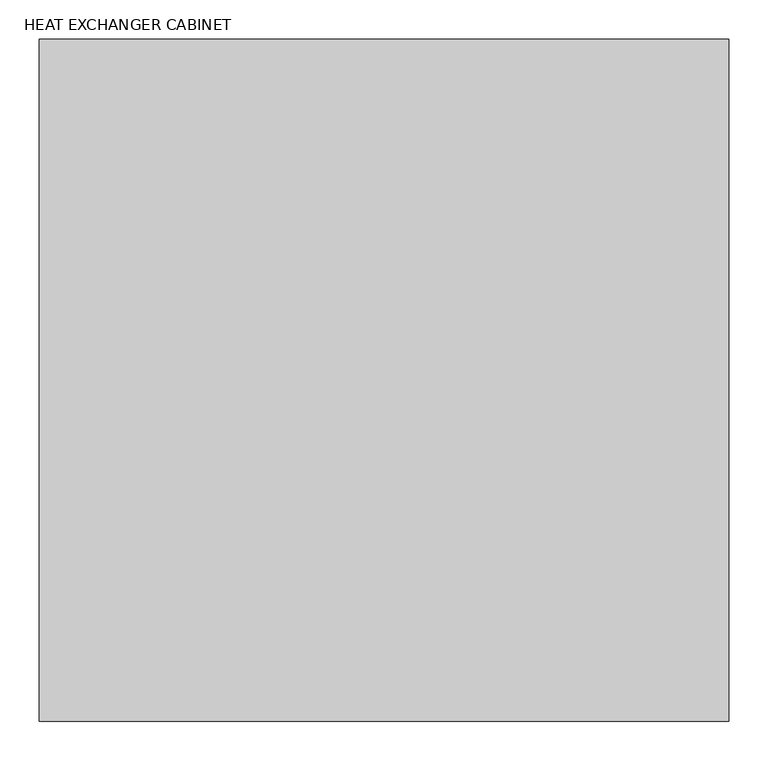
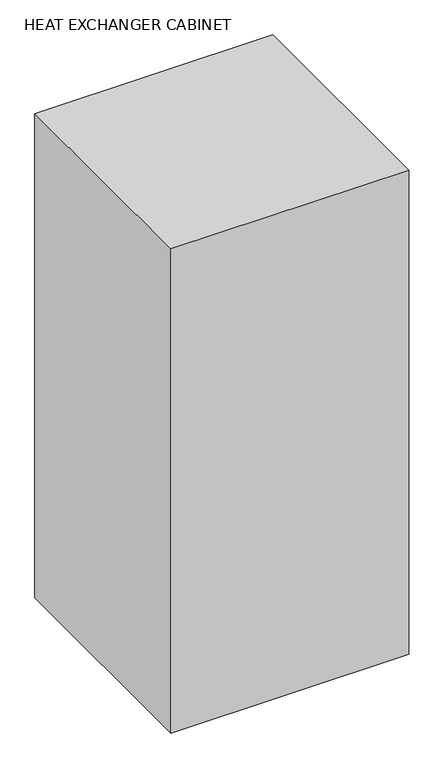
"""IFC4 building model written with IfcOpenShell, lengths in millimetres: proxy geometry, HEAT EXCHANGER CABINET."""

import ifcopenshell
import ifcopenshell.guid

model = None  # the IFC model being written
_history = None  # IfcOwnerHistory: only IFC2X3 demands one
_inside = {}  # id of a spatial element -> (the spatial element, [elements in it])
_under = {}  # id of a project, library or spatial element -> (it, [spatial elements below it])
_declared = {}  # id of a project -> (the project, [libraries it declares])
_typed = {}  # id of a type object -> (the type object, [elements of that type])
_made_of = {}  # id of a material, layer set ... -> (it, [elements and type objects made of it])


def new_model(schema):
    """Start an empty IFC model of exactly this schema.

    Asked for "IFC4X3", IfcOpenShell would pick the latest addendum, in which some entities
    have other attributes; the version numbers below select the first issue.
    IFC2X3 requires an IfcOwnerHistory on every rooted entity: one is made here for all.
    """
    global model, _history
    if schema == "IFC4X3":
        model = ifcopenshell.file(schema_version=(4, 3, 0, 0))
    else:
        model = ifcopenshell.file(schema=schema)
    _inside.clear()
    _under.clear()
    _declared.clear()
    _typed.clear()
    _made_of.clear()
    _history = None
    if model.schema == "IFC2X3":
        org = make("IfcOrganization", Name="unknown")
        user = make(
            "IfcPersonAndOrganization",
            ThePerson=make("IfcPerson", FamilyName="unknown"),
            TheOrganization=org,
        )
        app = make(
            "IfcApplication",
            ApplicationDeveloper=org,
            Version="unknown",
            ApplicationFullName="unknown",
            ApplicationIdentifier="unknown",
        )
        _history = make(
            "IfcOwnerHistory",
            OwningUser=user,
            OwningApplication=app,
            ChangeAction="ADDED",
            CreationDate=0,
        )
    return model


def make(cls, **values):
    """One entity of the class cls with the attributes given. An attribute that is None is left unset."""
    return model.create_entity(
        cls, **{name: value for name, value in values.items() if value is not None}
    )


def rooted(cls, **values):
    """An entity with a GlobalId (a new one), such as an element, a storey or a relation."""
    return make(cls, GlobalId=ifcopenshell.guid.new(), OwnerHistory=_history, **values)


def si_unit(unit_type, name, prefix=None):
    """IfcSIUnit, for example si_unit("LENGTHUNIT", "METRE", prefix="MILLI")."""
    return make("IfcSIUnit", UnitType=unit_type, Prefix=prefix, Name=name)


def assignment(units):
    """IfcUnitAssignment: the units of a project."""
    return None if units is None else make("IfcUnitAssignment", Units=units)


def point(xyz):
    """IfcCartesianPoint."""
    return None if xyz is None else make("IfcCartesianPoint", Coordinates=xyz)


def direction(xyz):
    """IfcDirection."""
    return None if xyz is None else make("IfcDirection", DirectionRatios=xyz)


def frame(location, z_axis=None, x_axis=None):
    """IfcAxis2Placement3D, a coordinate frame: its origin and axes. An axis left out is left unset."""
    return make(
        "IfcAxis2Placement3D",
        Location=point(location),
        Axis=direction(z_axis),
        RefDirection=direction(x_axis),
    )


def origin():
    """The frame at (0, 0, 0) with its axes left unset."""
    return frame((0.0, 0.0, 0.0))


def origin_with_axes():
    """The frame at (0, 0, 0) with the z axis (0, 0, 1) and the x axis (1, 0, 0) written out."""
    return frame((0.0, 0.0, 0.0), z_axis=(0.0, 0.0, 1.0), x_axis=(1.0, 0.0, 0.0))


def place(relative_to, where):
    """IfcLocalPlacement: puts the frame where relative to a parent placement (None: the world)."""
    return make(
        "IfcLocalPlacement", PlacementRelTo=relative_to, RelativePlacement=where
    )


def context(
    kind, dimensions, precision=None, world=None, true_north=None, identifier=None
):
    """IfcGeometricRepresentationContext, for example the 3D "Model" context."""
    return make(
        "IfcGeometricRepresentationContext",
        ContextIdentifier=identifier,
        ContextType=kind,
        CoordinateSpaceDimension=dimensions,
        Precision=precision,
        WorldCoordinateSystem=world,
        TrueNorth=true_north,
    )


def project(units=None, contexts=None):
    """IfcProject with its units and contexts."""
    return rooted(
        "IfcProject",
        Name="project",
        RepresentationContexts=contexts,
        UnitsInContext=assignment(units),
    )


def spatial(cls, under=None, at=None, **own):
    """A site, building, storey or space (cls), placed at a placement, below another one or the project."""
    s = rooted(cls, ObjectPlacement=at, **own)
    if under is not None:
        _under.setdefault(under.id(), (under, []))[1].append(s)
    return s


def polyline(points):
    """IfcPolyline through the points."""
    return make("IfcPolyline", Points=[point(p) for p in points])


def outline(outer, holes=None, kind="AREA"):
    """IfcArbitraryClosedProfileDef: a profile drawn as a closed curve; with holes, ...WithVoids."""
    if holes is None:
        return make("IfcArbitraryClosedProfileDef", ProfileType=kind, OuterCurve=outer)
    return make(
        "IfcArbitraryProfileDefWithVoids",
        ProfileType=kind,
        OuterCurve=outer,
        InnerCurves=holes,
    )


def extrude(swept, where, along, depth):
    """IfcExtrudedAreaSolid: the profile swept, set in the frame where, extruded along a direction by depth."""
    return make(
        "IfcExtrudedAreaSolid",
        SweptArea=swept,
        Position=where,
        ExtrudedDirection=direction(along),
        Depth=depth,
    )


def shape(context_of_items, identifier, shape_type, items):
    """IfcShapeRepresentation: the items that make up one representation, for example the "Body"."""
    return make(
        "IfcShapeRepresentation",
        ContextOfItems=context_of_items,
        RepresentationIdentifier=identifier,
        RepresentationType=shape_type,
        Items=items,
    )


def source(mapping_origin, context_of_items, identifier, shape_type, items):
    """IfcRepresentationMap: a shape defined once, which mapped items show again and again."""
    return make(
        "IfcRepresentationMap",
        MappingOrigin=mapping_origin,
        MappedRepresentation=shape(context_of_items, identifier, shape_type, items),
    )


def transform(
    local_origin,
    x_axis=None,
    y_axis=None,
    z_axis=None,
    scale=None,
    scale2=None,
    scale3=None,
    uniform=True,
):
    """IfcCartesianTransformationOperator3D, or its non-uniform kind. x_axis, y_axis, z_axis: its Axis1, 2, 3."""
    if uniform:
        return make(
            "IfcCartesianTransformationOperator3D",
            Axis1=direction(x_axis),
            Axis2=direction(y_axis),
            LocalOrigin=point(local_origin),
            Scale=scale,
            Axis3=direction(z_axis),
        )
    return make(
        "IfcCartesianTransformationOperator3DnonUniform",
        Axis1=direction(x_axis),
        Axis2=direction(y_axis),
        LocalOrigin=point(local_origin),
        Scale=scale,
        Axis3=direction(z_axis),
        Scale2=scale2,
        Scale3=scale3,
    )


def mapped(mapping_source, mapping_target):
    """IfcMappedItem: shows the shape of a source again, moved by a transform."""
    return make(
        "IfcMappedItem", MappingSource=mapping_source, MappingTarget=mapping_target
    )


def made_of(thing, what):
    """Note that an element or type object is made of a material, layer set ...; save() writes the relation."""
    if what is not None:
        _made_of.setdefault(what.id(), (what, []))[1].append(thing)
    return thing


def element(
    cls,
    number,
    at=None,
    inside=None,
    cuts=None,
    type_object=None,
    material=None,
    context=None,
    identifier="Body",
    shape_type=None,
    held_by="IfcProductDefinitionShape",
    body=None,
    shapes=None,
    **own,
):
    """One element of the class cls, such as IfcWall. Its Tag is "e" and its number.

    at: its placement. inside: the storey or other place that contains it. cuts: it is an
    opening in that element (IfcRelVoidsElement). A single representation is given by context,
    identifier, shape_type and body (its items); several are given by shapes. held_by: the class
    of the entity that holds the representations. save() writes the other relations.
    """
    e = rooted(cls, Tag="e%d" % number, ObjectPlacement=at, **own)
    if body is not None:
        shapes = [shape(context, identifier, shape_type, body)]
    if shapes is not None:
        e.Representation = make(held_by, Representations=shapes)
    if inside is not None:
        _inside.setdefault(inside.id(), (inside, []))[1].append(e)
    if cuts is not None:
        rooted(
            "IfcRelVoidsElement", RelatingBuildingElement=cuts, RelatedOpeningElement=e
        )
    if type_object is not None:
        _typed.setdefault(type_object.id(), (type_object, []))[1].append(e)
    return made_of(e, material)


def aggregate(whole, parts):
    """IfcRelAggregates: a whole, such as a stair, and the parts it consists of."""
    return rooted("IfcRelAggregates", RelatingObject=whole, RelatedObjects=parts)


def save(model, path):
    """Write the relations noted so far, then the file.

    IfcRelAggregates (storeys below a building ...), IfcRelContainedInSpatialStructure (elements
    in a storey), IfcRelDefinesByType, IfcRelAssociatesMaterial and IfcRelDeclares: one each for
    every whole, place, type object, material and project.
    """
    for whole, parts in _under.values():
        aggregate(whole, parts)
    for where, things in _inside.values():
        rooted(
            "IfcRelContainedInSpatialStructure",
            RelatedElements=things,
            RelatingStructure=where,
        )
    for kind, things in _typed.values():
        rooted("IfcRelDefinesByType", RelatedObjects=things, RelatingType=kind)
    for what, things in _made_of.values():
        rooted("IfcRelAssociatesMaterial", RelatedObjects=things, RelatingMaterial=what)
    for by, libraries in _declared.values():
        rooted("IfcRelDeclares", RelatingContext=by, RelatedDefinitions=libraries)
    model.write(path)


def heat_exchanger_cabinet_db431666(model_context):
    return source(origin(), model_context, "Body", "SweptSolid", [
        extrude(outline(polyline([(440.055, 0.0), (-441.071, 0.0), (-441.071, 871.982), (440.055, 871.982), (440.055, 0.0)])), origin_with_axes(), (0.0, 0.0, 1.0), 1894.84),
    ])


if __name__ == "__main__":
    model = new_model("IFC4")
    model_context = context("Model", 3, world=origin())
    ifc_project = project(units=[si_unit("LENGTHUNIT", "METRE", prefix="MILLI")], contexts=[model_context])
    site = spatial("IfcSite", under=ifc_project)
    building = spatial("IfcBuilding", under=site)
    placement = place(None, origin())
    heat_exchanger_cabinet_shape = heat_exchanger_cabinet_db431666(model_context)
    element("IfcBuildingElementProxy", 1, Name="HEAT EXCHANGER CABINET", ObjectType="HEAT EXCHANGER CABINET", at=placement, inside=building, context=model_context, shape_type="MappedRepresentation", body=[
        mapped(heat_exchanger_cabinet_shape, transform((0.0, 0.0, 0.0), x_axis=(1.0, 0.0, 0.0), y_axis=(0.0, 1.0, 0.0), z_axis=(0.0, 0.0, 1.0))),
    ])
    save(model, "model.ifc")
